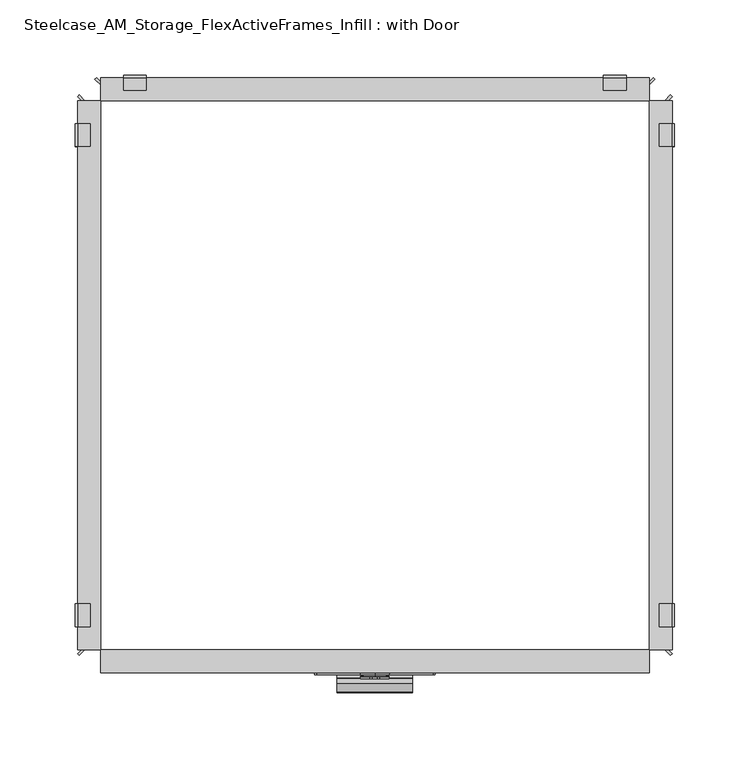
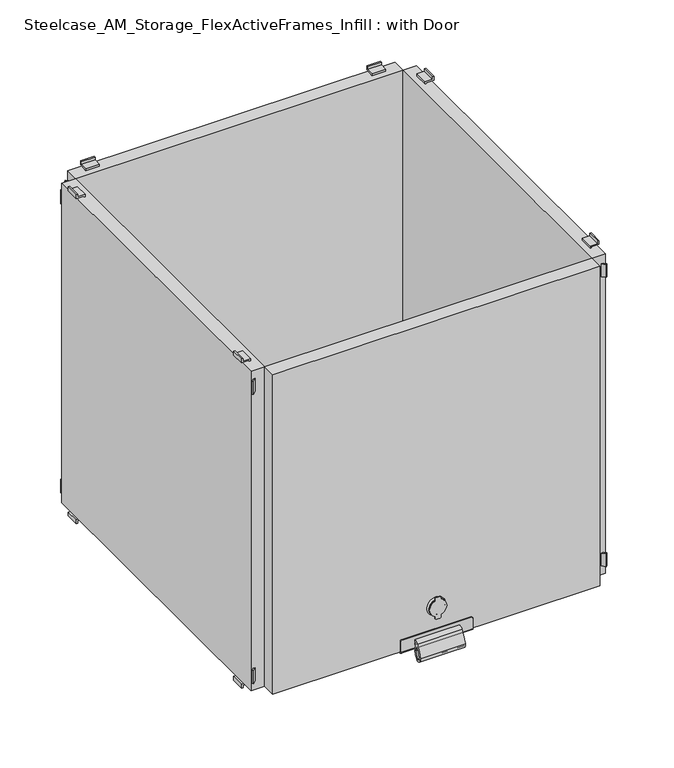
"""IFC4 building model written with IfcOpenShell, lengths in millimetres: furniture geometry, Steelcase_AM_Storage_FlexActiveFrames_Infill : with Door."""

from ifc_helpers import new_model, si_unit, point, frame, frame_2d, origin, place, context, project, spatial, polyline, circle_curve, trimmed, segment, composite_curve, outline, extrude, source, transform, mapped, element, save
from ifc_brep_helpers import plane_surface, cylinder_surface, revolved_surface, advanced_brep


def steelcase_am_storage_flexactiveframes_infill_with_door_e1e29c9d(model_context):
    return source(origin(), model_context, "Body", "SolidModel", [
        extrude(outline(composite_curve([segment(polyline([(152.5718006, 196.8496488), (150.3317189, 196.8496488)]), True, "CONTINUOUS"), segment(trimmed(circle_curve(frame_2d((150.3317189, 198.3736488)), 1.524), [point((150.3317189, 196.8496488))], [point((148.8077189, 198.3736488))], False, "CARTESIAN"), True, "CONTINUOUS"), segment(polyline([(148.8077189, 198.3736488), (148.8077189, 201.6763512)]), True, "CONTINUOUS"), segment(trimmed(circle_curve(frame_2d((150.3317189, 201.6763512)), 1.524), [point((148.8077189, 201.6763512))], [point((150.3317189, 203.2003512))], False, "CARTESIAN"), True, "CONTINUOUS"), segment(polyline([(150.3317189, 203.2003512), (152.5718006, 203.2003512)]), True, "CONTINUOUS"), segment(trimmed(circle_curve(frame_2d((161.5079853, 200.025)), 9.4835781), [point((152.5718006, 203.2003512))], [point((170.4441701, 203.2003512))], False, "CARTESIAN"), True, "CONTINUOUS"), segment(polyline([(170.4441701, 203.2003512), (172.6842518, 203.2003512)]), True, "CONTINUOUS"), segment(trimmed(circle_curve(frame_2d((172.6842518, 201.6763512)), 1.524), [point((172.6842518, 203.2003512))], [point((174.2082518, 201.6763512))], False, "CARTESIAN"), True, "CONTINUOUS"), segment(polyline([(174.2082518, 201.6763512), (174.2082518, 198.3736488)]), True, "CONTINUOUS"), segment(trimmed(circle_curve(frame_2d((172.6842518, 198.3736488)), 1.524), [point((174.2082518, 198.3736488))], [point((172.6842518, 196.8496488))], False, "CARTESIAN"), True, "CONTINUOUS"), segment(polyline([(172.6842518, 196.8496488), (170.4441701, 196.8496488)]), True, "CONTINUOUS"), segment(trimmed(circle_curve(frame_2d((161.5079853, 200.025)), 9.4835781), [point((170.4441701, 196.8496488))], [point((152.5718006, 196.8496488))], False, "CARTESIAN"), True, "CONTINUOUS")], self_intersect=False)), frame((0.0, -401.4469803, 0.0), z_axis=(0.0, 1.0, 0.0), x_axis=(0.0, 0.0, 1.0)), (0.0, 0.0, 1.0), 0.762),
        advanced_brep(
        [(200.025, -397.51, 151.1069002), (200.025, -397.51, 171.9090704), (200.025, -397.51, 161.5079853), (200.025, -399.0335313, 152.3124153), (200.025, -399.0335313, 170.7035554), (200.025, -399.0335313, 155.2647804), (200.025, -399.0335313, 167.7511903), (200.025, -399.7959797, 152.0244072), (200.025, -399.7959797, 170.9915634), (200.025, -400.6849803, 152.0244072), (200.025, -400.6849803, 170.9915634), (200.025, -400.6849803, 161.5079853)],
        [
            (0, 1, circle_curve(frame((200.025, -397.51, 161.5079853), z_axis=(0.0, 1.0, 0.0), x_axis=(0.0, 0.0, 1.0)), 10.4010851)),
            (1, 2),
            (2, 0),
            (1, 0, circle_curve(frame((200.025, -397.51, 161.5079853), z_axis=(0.0, 1.0, 0.0), x_axis=(0.0, 0.0, 1.0)), 10.4010851)),
            (3, 4, circle_curve(frame((200.025, -399.0335313, 161.5079853), z_axis=(0.0, 1.0, 0.0), x_axis=(0.0, 0.0, 1.0)), 9.19557)),
            (4, 1),
            (0, 3),
            (4, 3, circle_curve(frame((200.025, -399.0335313, 161.5079853), z_axis=(0.0, 1.0, 0.0), x_axis=(0.0, 0.0, 1.0)), 9.19557)),
            (5, 6, circle_curve(frame((200.025, -399.0335313, 161.5079853), z_axis=(0.0, 1.0, 0.0), x_axis=(0.0, 0.0, 1.0)), 6.243205)),
            (6, 4),
            (3, 5),
            (6, 5, circle_curve(frame((200.025, -399.0335313, 161.5079853), z_axis=(0.0, 1.0, 0.0), x_axis=(0.0, 0.0, 1.0)), 6.243205)),
            (7, 8, circle_curve(frame((200.025, -399.7959797, 161.5079853), z_axis=(0.0, 1.0, 0.0), x_axis=(0.0, 0.0, 1.0)), 9.4835781)),
            (8, 6),
            (5, 7),
            (8, 7, circle_curve(frame((200.025, -399.7959797, 161.5079853), z_axis=(0.0, 1.0, 0.0), x_axis=(0.0, 0.0, 1.0)), 9.4835781)),
            (9, 10, circle_curve(frame((200.025, -400.6849803, 161.5079853), z_axis=(0.0, 1.0, 0.0), x_axis=(0.0, 0.0, 1.0)), 9.4835781)),
            (10, 8),
            (7, 9),
            (10, 9, circle_curve(frame((200.025, -400.6849803, 161.5079853), z_axis=(0.0, 1.0, 0.0), x_axis=(0.0, 0.0, 1.0)), 9.4835781)),
            (11, 10),
            (9, 11),
        ],
        [
            plane_surface(frame((200.025, -397.51, 161.5079853), z_axis=(0.0, 1.0, 0.0), x_axis=(0.0, 0.0, 1.0))),
            revolved_surface(polyline([(200.025, -397.51, 171.9090704), (200.025, -399.0335313, 170.7035554)]), (200.025, -386.0294251, 161.5079853), (0.0, -1.0, 0.0)),
            plane_surface(frame((200.025, -399.0335313, 161.5079853), z_axis=(0.0, -1.0, 0.0), x_axis=(0.0, 0.0, 1.0))),
            revolved_surface(polyline([(200.025, -399.0335313, 167.7511903), (200.025, -399.7959797, 170.9915634)]), (200.025, -386.0294251, 161.5079853), (0.0, -1.0, 0.0)),
            cylinder_surface(frame((200.025, -386.0294251, 161.5079853), z_axis=(0.0, -1.0, 0.0), x_axis=(0.0, 0.0, 1.0)), 9.4835781),
            plane_surface(frame((200.025, -400.6849803, 161.5079853), z_axis=(0.0, -1.0, 0.0), x_axis=(0.0, 0.0, 1.0))),
        ],
        [
            (0, [[1, 2, 3]]),
            (0, [[4, -3, -2]]),
            (1, [[5, 6, -1, 7]]),
            (1, [[8, -7, -4, -6]]),
            (2, [[9, 10, -5, 11]]),
            (2, [[12, -11, -8, -10]]),
            (3, [[13, 14, -9, 15]]),
            (3, [[16, -15, -12, -14]]),
            (4, [[17, 18, -13, 19]]),
            (4, [[20, -19, -16, -18]]),
            (5, [[21, -17, 22]]),
            (5, [[-22, -20, -21]]),
        ],
    ),
        advanced_brep(
        [(238.5004965, -399.034, 135.2296), (161.5484862, -399.034, 135.2296), (160.0244862, -399.034, 133.7056), (160.0244862, -399.034, 121.5136), (240.0244965, -399.034, 121.5136), (240.0244965, -399.034, 133.7056), (238.5004965, -397.51, 135.2296), (240.0244965, -397.51, 133.7056), (240.0244965, -397.51, 121.5136), (160.0244862, -397.51, 121.5136), (160.0244862, -397.51, 133.7056), (161.5484862, -397.51, 135.2296), (160.0244862, -382.27, 121.5136), (160.0244862, -382.27, 119.9896), (160.0244862, -397.51, 119.9896), (240.0244965, -397.51, 119.9896), (240.0244965, -382.27, 119.9896), (240.0244965, -382.27, 121.5136)],
        [
            (0, 1),
            (1, 2, circle_curve(frame((161.5484862, -399.034, 133.7056), z_axis=(0.0, -1.0, 0.0), x_axis=(1.0, 0.0, 0.0)), 1.524)),
            (2, 3),
            (3, 4),
            (4, 5),
            (5, 0, circle_curve(frame((238.5004965, -399.034, 133.7056), z_axis=(0.0, -1.0, 0.0), x_axis=(1.0, 0.0, 0.0)), 1.524)),
            (6, 7, circle_curve(frame((238.5004965, -397.51, 133.7056), z_axis=(0.0, 1.0, 0.0), x_axis=(1.0, 0.0, 0.0)), 1.524)),
            (7, 8),
            (8, 9),
            (9, 10),
            (10, 11, circle_curve(frame((161.5484862, -397.51, 133.7056), z_axis=(0.0, 1.0, 0.0), x_axis=(1.0, 0.0, 0.0)), 1.524)),
            (11, 6),
            (0, 6),
            (11, 1),
            (10, 2),
            (9, 12),
            (12, 13),
            (13, 14),
            (14, 3, circle_curve(frame((160.0244862, -397.51, 121.5136), z_axis=(-1.0, 0.0, 0.0), x_axis=(0.0, 1.0, 0.0)), 1.524)),
            (4, 15, circle_curve(frame((240.0244965, -397.51, 121.5136), z_axis=(1.0, 0.0, 0.0), x_axis=(0.0, 1.0, 0.0)), 1.524)),
            (15, 16),
            (16, 17),
            (17, 8),
            (7, 5),
            (15, 14),
            (13, 16),
            (12, 17),
        ],
        [
            plane_surface(frame((161.5484862, -399.034, 135.2296), z_axis=(0.0, -1.0, 0.0), x_axis=(-1.0, 0.0, 0.0))),
            plane_surface(frame((161.5484862, -397.51, 135.2296), z_axis=(0.0, 1.0, 0.0), x_axis=(1.0, 0.0, 0.0))),
            plane_surface(frame((238.5004965, -399.034, 135.2296), z_axis=(0.0, 0.0, 1.0), x_axis=(0.0, 1.0, 0.0))),
            cylinder_surface(frame((161.5484862, -397.51, 133.7056), z_axis=(0.0, -1.0, 0.0), x_axis=(1.0, 0.0, 0.0)), 1.524),
            plane_surface(frame((160.0244862, -399.034, 133.7056), z_axis=(-1.0, 0.0, 0.0), x_axis=(0.0, 1.0, 0.0))),
            plane_surface(frame((240.0244965, -399.034, 123.0376), z_axis=(1.0, 0.0, 0.0), x_axis=(0.0, 1.0, 0.0))),
            cylinder_surface(frame((238.5004965, -397.51, 133.7056), z_axis=(0.0, -1.0, 0.0), x_axis=(1.0, 0.0, 0.0)), 1.524),
            plane_surface(frame((240.0244965, -397.51, 119.9896), z_axis=(0.0, 0.0, -1.0), x_axis=(-1.0, 0.0, 0.0))),
            plane_surface(frame((240.0244965, -382.27, 119.9896), z_axis=(0.0, 1.0, 0.0), x_axis=(-1.0, 0.0, 0.0))),
            plane_surface(frame((240.0244965, -382.27, 121.5136), z_axis=(0.0, 0.0, 1.0), x_axis=(-1.0, 0.0, 0.0))),
            cylinder_surface(frame((160.0244862, -397.51, 121.5136), z_axis=(1.0, 0.0, 0.0), x_axis=(0.0, 1.0, 0.0)), 1.524),
        ],
        [
            (0, [[1, 2, 3, 4, 5, 6]]),
            (1, [[7, 8, 9, 10, 11, 12]]),
            (2, [[-1, 13, -12, 14]]),
            (3, [[-2, -14, -11, 15]]),
            (4, [[-3, -15, -10, 16, 17, 18, 19]]),
            (5, [[-5, 20, 21, 22, 23, -8, 24]]),
            (6, [[-6, -24, -7, -13]]),
            (7, [[-21, 25, -18, 26]]),
            (8, [[-22, -26, -17, 27]]),
            (9, [[-23, -27, -16, -9]]),
            (10, [[-20, -4, -19, -25]]),
        ],
    ),
        extrude(outline(composite_curve([segment(trimmed(circle_curve(frame_2d((-399.3330542, 125.2742816)), 4.4885231), [point((-399.034, 129.7528311))], [point((-402.9026513, 127.9954607))], True, "CARTESIAN"), True, "CONTINUOUS"), segment(trimmed(circle_curve(frame_2d((-376.5973715, 107.9423915)), 33.0770816), [point((-402.9026513, 127.9954607))], [point((-408.7735456, 115.6096697))], True, "CARTESIAN"), True, "CONTINUOUS"), segment(trimmed(circle_curve(frame_2d((-405.3950826, 114.8046139)), 3.4730573), [point((-408.7735456, 115.6096697))], [point((-405.8503754, 111.3615287))], True, "CARTESIAN"), True, "CONTINUOUS"), segment(trimmed(circle_curve(frame_2d((-405.7469426, 112.1437242)), 0.7890045), [point((-405.8503754, 111.3615287))], [point((-405.0783099, 111.7248465))], True, "CARTESIAN"), True, "CONTINUOUS"), segment(trimmed(circle_curve(frame_2d((-432.7352012, 129.0510324)), 32.6358752), [point((-405.0783099, 111.7248465))], [point((-401.3976431, 119.9374269))], True, "CARTESIAN"), True, "CONTINUOUS"), segment(trimmed(circle_curve(frame_2d((-403.0105921, 120.4065056)), 1.6797736), [point((-401.3976431, 119.9374269))], [point((-401.8482661, 121.6192041))], True, "CARTESIAN"), True, "CONTINUOUS"), segment(trimmed(circle_curve(frame_2d((-399.159917, 124.4240597)), 3.8851559), [point((-401.8482661, 121.6192041))], [point((-399.034, 128.3071746))], False, "CARTESIAN"), True, "CONTINUOUS"), segment(polyline([(-399.034, 128.3071746), (-399.034, 126.400208)]), True, "CONTINUOUS"), segment(trimmed(circle_curve(frame_2d((-399.159917, 124.4240597)), 1.9801559), [point((-399.034, 126.400208))], [point((-400.5300937, 122.9945028))], True, "CARTESIAN"), True, "CONTINUOUS"), segment(trimmed(circle_curve(frame_2d((-403.0105921, 120.4065056)), 3.5847736), [point((-400.5300937, 122.9945028))], [point((-399.5684276, 119.4054535))], False, "CARTESIAN"), True, "CONTINUOUS"), segment(trimmed(circle_curve(frame_2d((-432.7352012, 129.0510324)), 34.5408752), [point((-399.5684276, 119.4054535))], [point((-403.4639399, 110.7134937))], False, "CARTESIAN"), True, "CONTINUOUS"), segment(trimmed(circle_curve(frame_2d((-405.7469426, 112.1437242)), 2.6940045), [point((-403.4639399, 110.7134937))], [point((-406.1001071, 109.4729687))], False, "CARTESIAN"), True, "CONTINUOUS"), segment(trimmed(circle_curve(frame_2d((-405.3950826, 114.8046139)), 5.3780573), [point((-406.1001071, 109.4729687))], [point((-410.6266598, 116.0512493))], False, "CARTESIAN"), True, "CONTINUOUS"), segment(trimmed(circle_curve(frame_2d((-376.5973715, 107.9423915)), 34.9820816), [point((-410.6266598, 116.0512493))], [point((-404.4176446, 129.1503721))], False, "CARTESIAN"), True, "CONTINUOUS"), segment(trimmed(circle_curve(frame_2d((-399.3330542, 125.2742816)), 6.3935231), [point((-404.4176446, 129.1503721))], [point((-399.034, 131.6608068))], False, "CARTESIAN"), True, "CONTINUOUS"), segment(polyline([(-399.034, 131.6608068), (-399.034, 129.7528311)]), True, "CONTINUOUS")], self_intersect=False)), frame((175.0458803, 0.0, 0.0), z_axis=(1.0, 0.0, 0.0), x_axis=(0.0, 1.0, 0.0)), (0.0, 0.0, 1.0), 49.9787862),
        extrude(outline(polyline([(382.27, -397.51), (17.78, -397.51), (17.78, -382.27), (382.27, -382.27), (382.27, -397.51)])), frame((0.0, 0.0, 121.5136), z_axis=(0.0, 0.0, 1.0), x_axis=(1.0, 0.0, 0.0)), (0.0, 0.0, 1.0), 375.92),
        extrude(outline(polyline([(394.8423586, -382.27), (397.4973445, -384.924986), (396.4197138, -386.0026167), (392.6870971, -382.27), (394.8423586, -382.27)])), frame((0.0, 0.0, 472.0336), z_axis=(0.0, 0.0, 1.0), x_axis=(1.0, 0.0, 0.0)), (0.0, 0.0, 1.0), 15.24),
        extrude(outline(polyline([(394.8423586, -17.78), (392.6870971, -17.78), (396.4197138, -14.0473833), (397.4973445, -15.125014), (394.8423586, -17.78)])), frame((0.0, 0.0, 472.0336), z_axis=(0.0, 0.0, 1.0), x_axis=(1.0, 0.0, 0.0)), (0.0, 0.0, 1.0), 15.24),
        extrude(outline(polyline([(394.8423586, -382.27), (397.4973445, -384.924986), (396.4197138, -386.0026167), (392.6870971, -382.27), (394.8423586, -382.27)])), frame((0.0, 0.0, 131.6736), z_axis=(0.0, 0.0, 1.0), x_axis=(1.0, 0.0, 0.0)), (0.0, 0.0, 1.0), 15.24),
        extrude(outline(polyline([(394.8423586, -17.78), (392.6870971, -17.78), (396.4197138, -14.0473833), (397.4973445, -15.125014), (394.8423586, -17.78)])), frame((0.0, 0.0, 131.6736), z_axis=(0.0, 0.0, 1.0), x_axis=(1.0, 0.0, 0.0)), (0.0, 0.0, 1.0), 15.24),
        extrude(outline(polyline([(503.0770636, 397.51), (499.9736, 397.51), (499.9736, 389.128), (497.4336, 389.128), (497.4336, 390.652), (498.4496, 390.652), (498.4496, 399.034), (503.0770636, 399.034), (503.0770636, 397.51)])), frame((0.0, -48.26, 0.0), z_axis=(0.0, 1.0, 0.0), x_axis=(0.0, 0.0, 1.0)), (0.0, 0.0, 1.0), 15.24),
        extrude(outline(polyline([(115.8701364, 397.51), (115.8701364, 399.034), (120.4976, 399.034), (120.4976, 390.652), (121.5136, 390.652), (121.5136, 389.128), (118.9736, 389.128), (118.9736, 397.51), (115.8701364, 397.51)])), frame((0.0, -48.26, 0.0), z_axis=(0.0, 1.0, 0.0), x_axis=(0.0, 0.0, 1.0)), (0.0, 0.0, 1.0), 15.24),
        extrude(outline(polyline([(503.0770636, 397.51), (499.9736, 397.51), (499.9736, 389.128), (497.4336, 389.128), (497.4336, 390.652), (498.4496, 390.652), (498.4496, 399.034), (503.0770636, 399.034), (503.0770636, 397.51)])), frame((0.0, -367.03, 0.0), z_axis=(0.0, 1.0, 0.0), x_axis=(0.0, 0.0, 1.0)), (0.0, 0.0, 1.0), 15.24),
        extrude(outline(polyline([(115.8701364, 397.51), (115.8701364, 399.034), (120.4976, 399.034), (120.4976, 390.652), (121.5136, 390.652), (121.5136, 389.128), (118.9736, 389.128), (118.9736, 397.51), (115.8701364, 397.51)])), frame((0.0, -367.03, 0.0), z_axis=(0.0, 1.0, 0.0), x_axis=(0.0, 0.0, 1.0)), (0.0, 0.0, 1.0), 15.24),
        extrude(outline(polyline([(382.27, -17.78), (397.51, -17.78), (397.51, -382.27), (382.27, -382.27), (382.27, -17.78)])), frame((0.0, 0.0, 121.5136), z_axis=(0.0, 0.0, 1.0), x_axis=(1.0, 0.0, 0.0)), (0.0, 0.0, 1.0), 375.92),
        extrude(outline(polyline([(5.2076414, -382.27), (7.3629029, -382.27), (3.6302862, -386.0026167), (2.5526555, -384.924986), (5.2076414, -382.27)])), frame((0.0, 0.0, 472.0336), z_axis=(0.0, 0.0, 1.0), x_axis=(1.0, 0.0, 0.0)), (0.0, 0.0, 1.0), 15.24),
        extrude(outline(polyline([(5.2076414, -17.78), (2.5526555, -15.125014), (3.6302862, -14.0473833), (7.3629029, -17.78), (5.2076414, -17.78)])), frame((0.0, 0.0, 472.0336), z_axis=(0.0, 0.0, 1.0), x_axis=(1.0, 0.0, 0.0)), (0.0, 0.0, 1.0), 15.24),
        extrude(outline(polyline([(5.2076414, -382.27), (7.3629029, -382.27), (3.6302862, -386.0026167), (2.5526555, -384.924986), (5.2076414, -382.27)])), frame((0.0, 0.0, 131.6736), z_axis=(0.0, 0.0, 1.0), x_axis=(1.0, 0.0, 0.0)), (0.0, 0.0, 1.0), 15.24),
        extrude(outline(polyline([(5.2076414, -17.78), (2.5526555, -15.125014), (3.6302862, -14.0473833), (7.3629029, -17.78), (5.2076414, -17.78)])), frame((0.0, 0.0, 131.6736), z_axis=(0.0, 0.0, 1.0), x_axis=(1.0, 0.0, 0.0)), (0.0, 0.0, 1.0), 15.24),
        extrude(outline(polyline([(503.0770636, 2.54), (503.0770636, 1.016), (498.4496, 1.016), (498.4496, 9.398), (497.4336, 9.398), (497.4336, 10.922), (499.9736, 10.922), (499.9736, 2.54), (503.0770636, 2.54)])), frame((0.0, -48.26, 0.0), z_axis=(0.0, 1.0, 0.0), x_axis=(0.0, 0.0, 1.0)), (0.0, 0.0, 1.0), 15.24),
        extrude(outline(polyline([(115.8701364, 2.54), (118.9736, 2.54), (118.9736, 10.922), (121.5136, 10.922), (121.5136, 9.398), (120.4976, 9.398), (120.4976, 1.016), (115.8701364, 1.016), (115.8701364, 2.54)])), frame((0.0, -48.26, 0.0), z_axis=(0.0, 1.0, 0.0), x_axis=(0.0, 0.0, 1.0)), (0.0, 0.0, 1.0), 15.24),
        extrude(outline(polyline([(503.0770636, 2.54), (503.0770636, 1.016), (498.4496, 1.016), (498.4496, 9.398), (497.4336, 9.398), (497.4336, 10.922), (499.9736, 10.922), (499.9736, 2.54), (503.0770636, 2.54)])), frame((0.0, -367.03, 0.0), z_axis=(0.0, 1.0, 0.0), x_axis=(0.0, 0.0, 1.0)), (0.0, 0.0, 1.0), 15.24),
        extrude(outline(polyline([(115.8701364, 2.54), (118.9736, 2.54), (118.9736, 10.922), (121.5136, 10.922), (121.5136, 9.398), (120.4976, 9.398), (120.4976, 1.016), (115.8701364, 1.016), (115.8701364, 2.54)])), frame((0.0, -367.03, 0.0), z_axis=(0.0, 1.0, 0.0), x_axis=(0.0, 0.0, 1.0)), (0.0, 0.0, 1.0), 15.24),
        extrude(outline(polyline([(17.78, -17.78), (17.78, -382.27), (2.54, -382.27), (2.54, -17.78), (17.78, -17.78)])), frame((0.0, 0.0, 121.5136), z_axis=(0.0, 0.0, 1.0), x_axis=(1.0, 0.0, 0.0)), (0.0, 0.0, 1.0), 375.92),
        extrude(outline(polyline([(17.78, -5.2076414), (17.78, -7.3629029), (14.0473833, -3.6302862), (15.125014, -2.5526555), (17.78, -5.2076414)])), frame((0.0, 0.0, 472.0336), z_axis=(0.0, 0.0, 1.0), x_axis=(1.0, 0.0, 0.0)), (0.0, 0.0, 1.0), 15.24),
        extrude(outline(polyline([(382.27, -5.2076414), (384.924986, -2.5526555), (386.0026167, -3.6302862), (382.27, -7.3629029), (382.27, -5.2076414)])), frame((0.0, 0.0, 472.0336), z_axis=(0.0, 0.0, 1.0), x_axis=(1.0, 0.0, 0.0)), (0.0, 0.0, 1.0), 15.24),
        extrude(outline(polyline([(17.78, -5.2076414), (17.78, -7.3629029), (14.0473833, -3.6302862), (15.125014, -2.5526555), (17.78, -5.2076414)])), frame((0.0, 0.0, 131.6736), z_axis=(0.0, 0.0, 1.0), x_axis=(1.0, 0.0, 0.0)), (0.0, 0.0, 1.0), 15.24),
        extrude(outline(polyline([(382.27, -5.2076414), (384.924986, -2.5526555), (386.0026167, -3.6302862), (382.27, -7.3629029), (382.27, -5.2076414)])), frame((0.0, 0.0, 131.6736), z_axis=(0.0, 0.0, 1.0), x_axis=(1.0, 0.0, 0.0)), (0.0, 0.0, 1.0), 15.24),
        extrude(outline(polyline([(-2.54, 503.0770636), (-1.016, 503.0770636), (-1.016, 498.4496), (-9.398, 498.4496), (-9.398, 497.4336), (-10.922, 497.4336), (-10.922, 499.9736), (-2.54, 499.9736), (-2.54, 503.0770636)])), frame((351.79, 0.0, 0.0), z_axis=(1.0, 0.0, 0.0), x_axis=(0.0, 1.0, 0.0)), (0.0, 0.0, 1.0), 15.24),
        extrude(outline(polyline([(-2.54, 115.8701364), (-2.54, 118.9736), (-10.922, 118.9736), (-10.922, 121.5136), (-9.398, 121.5136), (-9.398, 120.4976), (-1.016, 120.4976), (-1.016, 115.8701364), (-2.54, 115.8701364)])), frame((351.79, 0.0, 0.0), z_axis=(1.0, 0.0, 0.0), x_axis=(0.0, 1.0, 0.0)), (0.0, 0.0, 1.0), 15.24),
        extrude(outline(polyline([(-2.54, 503.0770636), (-1.016, 503.0770636), (-1.016, 498.4496), (-9.398, 498.4496), (-9.398, 497.4336), (-10.922, 497.4336), (-10.922, 499.9736), (-2.54, 499.9736), (-2.54, 503.0770636)])), frame((33.02, 0.0, 0.0), z_axis=(1.0, 0.0, 0.0), x_axis=(0.0, 1.0, 0.0)), (0.0, 0.0, 1.0), 15.24),
        extrude(outline(polyline([(-2.54, 115.8701364), (-2.54, 118.9736), (-10.922, 118.9736), (-10.922, 121.5136), (-9.398, 121.5136), (-9.398, 120.4976), (-1.016, 120.4976), (-1.016, 115.8701364), (-2.54, 115.8701364)])), frame((33.02, 0.0, 0.0), z_axis=(1.0, 0.0, 0.0), x_axis=(0.0, 1.0, 0.0)), (0.0, 0.0, 1.0), 15.24),
        extrude(outline(polyline([(382.27, -17.78), (17.78, -17.78), (17.78, -2.54), (382.27, -2.54), (382.27, -17.78)])), frame((0.0, 0.0, 121.5136), z_axis=(0.0, 0.0, 1.0), x_axis=(1.0, 0.0, 0.0)), (0.0, 0.0, 1.0), 375.92),
    ])


if __name__ == "__main__":
    model = new_model("IFC4")
    model_context = context("Model", 3, world=origin())
    ifc_project = project(units=[si_unit("LENGTHUNIT", "METRE", prefix="MILLI")], contexts=[model_context])
    site = spatial("IfcSite", under=ifc_project)
    building = spatial("IfcBuilding", under=site)
    placement = place(None, origin())
    steelcase_am_storage_flexactiveframes_infill_with_door_shape = steelcase_am_storage_flexactiveframes_infill_with_door_e1e29c9d(model_context)
    element("IfcFurniture", 1, ObjectType="Steelcase_AM_Storage_FlexActiveFrames_Infill : with Door", at=placement, inside=building, context=model_context, shape_type="MappedRepresentation", body=[
        mapped(steelcase_am_storage_flexactiveframes_infill_with_door_shape, transform((0.0, 0.0, 0.0), x_axis=(1.0, 0.0, 0.0), y_axis=(0.0, 1.0, 0.0), z_axis=(0.0, 0.0, 1.0))),
    ])
    save(model, "model.ifc")
